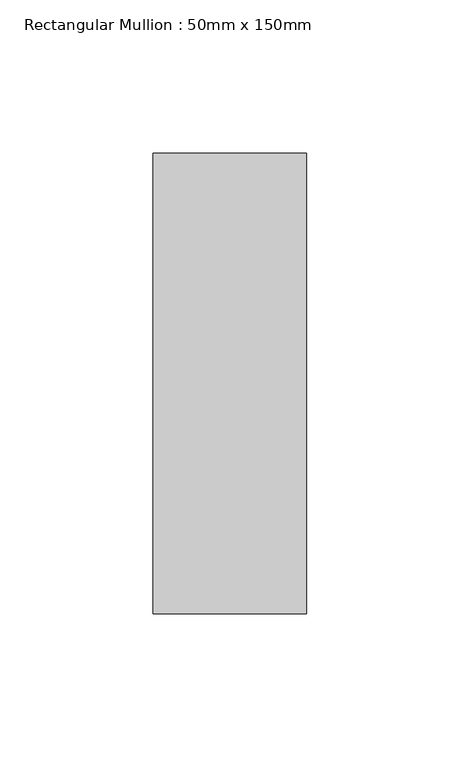
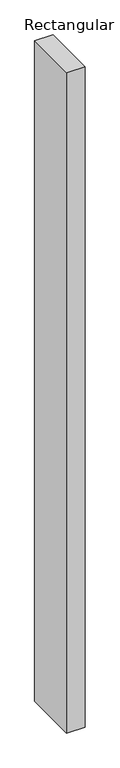
"""IFC4 building model written with IfcOpenShell, lengths in millimetres: member geometry, Rectangular Mullion : 50mm x 150mm."""

from ifc_helpers import new_model, si_unit, frame, origin, place, context, project, spatial, polyline, outline, extrude, source, transform, mapped, element, save


def rectangular_mullion_50mm_x_150mm_3b6c8465(model_context):
    return source(origin(), model_context, "Body", "SweptSolid", [
        extrude(outline(polyline([(0.0, 75.0), (0.0, -75.0), (-50.0, -75.0), (-50.0, 75.0), (0.0, 75.0)])), frame((0.0, 0.0, -1898.1104865), z_axis=(0.0, 0.0, 1.0), x_axis=(1.0, 0.0, 0.0)), (0.0, 0.0, 1.0), 1898.1104865),
    ])


if __name__ == "__main__":
    model = new_model("IFC4")
    model_context = context("Model", 3, world=origin())
    ifc_project = project(units=[si_unit("LENGTHUNIT", "METRE", prefix="MILLI")], contexts=[model_context])
    site = spatial("IfcSite", under=ifc_project)
    building = spatial("IfcBuilding", under=site)
    placement = place(None, origin())
    rectangular_mullion_50mm_x_150mm_shape = rectangular_mullion_50mm_x_150mm_3b6c8465(model_context)
    element("IfcMember", 1, ObjectType="Rectangular Mullion : 50mm x 150mm", at=placement, inside=building, context=model_context, shape_type="MappedRepresentation", body=[
        mapped(rectangular_mullion_50mm_x_150mm_shape, transform((0.0, 0.0, 0.0), x_axis=(1.0, 0.0, 0.0), y_axis=(0.0, 1.0, 0.0), z_axis=(0.0, 0.0, 1.0))),
    ])
    save(model, "model.ifc")
